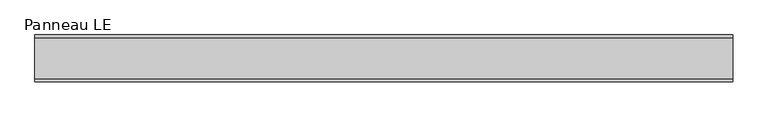
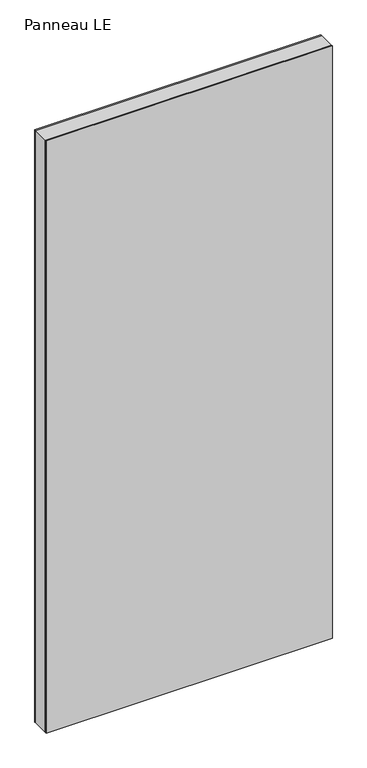
"""IFC4 building model written with IfcOpenShell, lengths in millimetres: plate geometry, Panneau LE."""

from ifc_helpers import new_model, si_unit, frame, origin, origin_with_axes, place, context, project, spatial, polyline, outline, extrude, source, transform, mapped, element, save


def panneau_le_9c1dae02(model_context):
    return source(origin(), model_context, "Body", "SweptSolid", [
        extrude(outline(polyline([(2933.0, 671.0833334), (2933.0, -671.0833334), (0.0, -671.0833334), (0.0, 671.0833334), (2933.0, 671.0833334)]), holes=[polyline([(30.0, -631.0833334), (2873.0, -631.0833334), (2873.0, 631.0833334), (30.0, 631.0833334), (30.0, -631.0833334)])]), frame((0.0, -39.0, 0.0), z_axis=(0.0, 1.0, 0.0), x_axis=(0.0, 0.0, 1.0)), (0.0, 0.0, 1.0), 78.0),
        extrude(outline(polyline([(671.0833334, 39.0), (-671.0833334, 39.0), (-671.0833334, 45.0), (671.0833334, 45.0), (671.0833334, 39.0)])), origin_with_axes(), (0.0, 0.0, 1.0), 2933.0),
        extrude(outline(polyline([(-671.0833334, -45.0), (-671.0833334, -39.0), (671.0833334, -39.0), (671.0833334, -45.0), (-671.0833334, -45.0)])), origin_with_axes(), (0.0, 0.0, 1.0), 2933.0),
    ])


if __name__ == "__main__":
    model = new_model("IFC4")
    model_context = context("Model", 3, world=origin())
    ifc_project = project(units=[si_unit("LENGTHUNIT", "METRE", prefix="MILLI")], contexts=[model_context])
    site = spatial("IfcSite", under=ifc_project)
    building = spatial("IfcBuilding", under=site)
    placement = place(None, origin())
    panneau_le_shape = panneau_le_9c1dae02(model_context)
    element("IfcPlate", 1, ObjectType="Panneau LE", at=placement, inside=building, context=model_context, shape_type="MappedRepresentation", body=[
        mapped(panneau_le_shape, transform((0.0, 0.0, 0.0), x_axis=(1.0, 0.0, 0.0), y_axis=(0.0, 1.0, 0.0), z_axis=(0.0, 0.0, 1.0))),
    ])
    save(model, "model.ifc")
